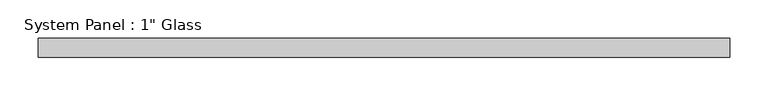
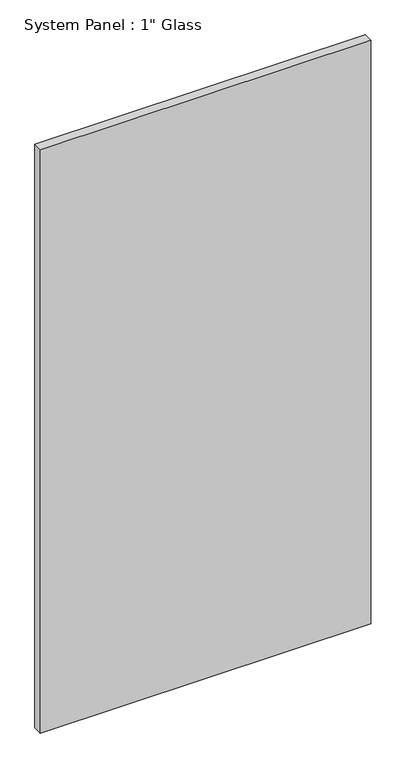
"""IFC4 building model written with IfcOpenShell, lengths in millimetres: plate geometry."""

from ifc_helpers import new_model, si_unit, origin, origin_with_axes, place, context, project, spatial, polyline, outline, extrude, source, transform, mapped, element, save


def plate_e4406df7(model_context):
    return source(origin(), model_context, "Body", "SweptSolid", [
        extrude(outline(polyline([(453.9782684, -12.7), (-453.9782684, -12.7), (-453.9782684, 12.7), (453.9782684, 12.7), (453.9782684, -12.7)])), origin_with_axes(), (0.0, 0.0, 1.0), 1695.45),
    ])


if __name__ == "__main__":
    model = new_model("IFC4")
    model_context = context("Model", 3, world=origin())
    ifc_project = project(units=[si_unit("LENGTHUNIT", "METRE", prefix="MILLI")], contexts=[model_context])
    site = spatial("IfcSite", under=ifc_project)
    building = spatial("IfcBuilding", under=site)
    placement = place(None, origin())
    plate_shape = plate_e4406df7(model_context)
    element("IfcPlate", 1, ObjectType="System Panel : 1\" Glass", at=placement, inside=building, context=model_context, shape_type="MappedRepresentation", body=[
        mapped(plate_shape, transform((0.0, 0.0, 0.0), x_axis=(1.0, 0.0, 0.0), y_axis=(0.0, 1.0, 0.0), z_axis=(0.0, 0.0, 1.0))),
    ])
    save(model, "model.ifc")
